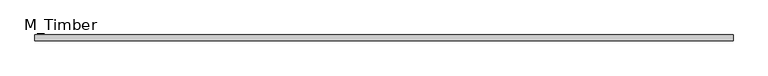
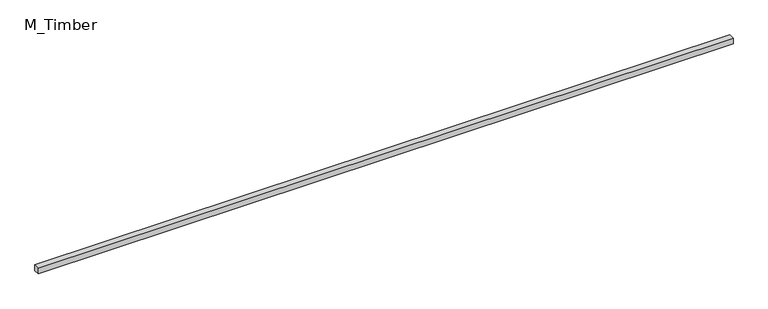
"""IFC4 building model written with IfcOpenShell, lengths in millimetres: beam geometry, M_Timber."""

import ifcopenshell
import ifcopenshell.guid

model = None  # the IFC model being written
_history = None  # IfcOwnerHistory: only IFC2X3 demands one
_inside = {}  # id of a spatial element -> (the spatial element, [elements in it])
_under = {}  # id of a project, library or spatial element -> (it, [spatial elements below it])
_declared = {}  # id of a project -> (the project, [libraries it declares])
_typed = {}  # id of a type object -> (the type object, [elements of that type])
_made_of = {}  # id of a material, layer set ... -> (it, [elements and type objects made of it])


def new_model(schema):
    """Start an empty IFC model of exactly this schema.

    Asked for "IFC4X3", IfcOpenShell would pick the latest addendum, in which some entities
    have other attributes; the version numbers below select the first issue.
    IFC2X3 requires an IfcOwnerHistory on every rooted entity: one is made here for all.
    """
    global model, _history
    if schema == "IFC4X3":
        model = ifcopenshell.file(schema_version=(4, 3, 0, 0))
    else:
        model = ifcopenshell.file(schema=schema)
    _inside.clear()
    _under.clear()
    _declared.clear()
    _typed.clear()
    _made_of.clear()
    _history = None
    if model.schema == "IFC2X3":
        org = make("IfcOrganization", Name="unknown")
        user = make(
            "IfcPersonAndOrganization",
            ThePerson=make("IfcPerson", FamilyName="unknown"),
            TheOrganization=org,
        )
        app = make(
            "IfcApplication",
            ApplicationDeveloper=org,
            Version="unknown",
            ApplicationFullName="unknown",
            ApplicationIdentifier="unknown",
        )
        _history = make(
            "IfcOwnerHistory",
            OwningUser=user,
            OwningApplication=app,
            ChangeAction="ADDED",
            CreationDate=0,
        )
    return model


def make(cls, **values):
    """One entity of the class cls with the attributes given. An attribute that is None is left unset."""
    return model.create_entity(
        cls, **{name: value for name, value in values.items() if value is not None}
    )


def rooted(cls, **values):
    """An entity with a GlobalId (a new one), such as an element, a storey or a relation."""
    return make(cls, GlobalId=ifcopenshell.guid.new(), OwnerHistory=_history, **values)


def si_unit(unit_type, name, prefix=None):
    """IfcSIUnit, for example si_unit("LENGTHUNIT", "METRE", prefix="MILLI")."""
    return make("IfcSIUnit", UnitType=unit_type, Prefix=prefix, Name=name)


def assignment(units):
    """IfcUnitAssignment: the units of a project."""
    return None if units is None else make("IfcUnitAssignment", Units=units)


def point(xyz):
    """IfcCartesianPoint."""
    return None if xyz is None else make("IfcCartesianPoint", Coordinates=xyz)


def direction(xyz):
    """IfcDirection."""
    return None if xyz is None else make("IfcDirection", DirectionRatios=xyz)


def frame(location, z_axis=None, x_axis=None):
    """IfcAxis2Placement3D, a coordinate frame: its origin and axes. An axis left out is left unset."""
    return make(
        "IfcAxis2Placement3D",
        Location=point(location),
        Axis=direction(z_axis),
        RefDirection=direction(x_axis),
    )


def origin():
    """The frame at (0, 0, 0) with its axes left unset."""
    return frame((0.0, 0.0, 0.0))


def place(relative_to, where):
    """IfcLocalPlacement: puts the frame where relative to a parent placement (None: the world)."""
    return make(
        "IfcLocalPlacement", PlacementRelTo=relative_to, RelativePlacement=where
    )


def context(
    kind, dimensions, precision=None, world=None, true_north=None, identifier=None
):
    """IfcGeometricRepresentationContext, for example the 3D "Model" context."""
    return make(
        "IfcGeometricRepresentationContext",
        ContextIdentifier=identifier,
        ContextType=kind,
        CoordinateSpaceDimension=dimensions,
        Precision=precision,
        WorldCoordinateSystem=world,
        TrueNorth=true_north,
    )


def project(units=None, contexts=None):
    """IfcProject with its units and contexts."""
    return rooted(
        "IfcProject",
        Name="project",
        RepresentationContexts=contexts,
        UnitsInContext=assignment(units),
    )


def spatial(cls, under=None, at=None, **own):
    """A site, building, storey or space (cls), placed at a placement, below another one or the project."""
    s = rooted(cls, ObjectPlacement=at, **own)
    if under is not None:
        _under.setdefault(under.id(), (under, []))[1].append(s)
    return s


def polyline(points):
    """IfcPolyline through the points."""
    return make("IfcPolyline", Points=[point(p) for p in points])


def outline(outer, holes=None, kind="AREA"):
    """IfcArbitraryClosedProfileDef: a profile drawn as a closed curve; with holes, ...WithVoids."""
    if holes is None:
        return make("IfcArbitraryClosedProfileDef", ProfileType=kind, OuterCurve=outer)
    return make(
        "IfcArbitraryProfileDefWithVoids",
        ProfileType=kind,
        OuterCurve=outer,
        InnerCurves=holes,
    )


def extrude(swept, where, along, depth):
    """IfcExtrudedAreaSolid: the profile swept, set in the frame where, extruded along a direction by depth."""
    return make(
        "IfcExtrudedAreaSolid",
        SweptArea=swept,
        Position=where,
        ExtrudedDirection=direction(along),
        Depth=depth,
    )


def shape(context_of_items, identifier, shape_type, items):
    """IfcShapeRepresentation: the items that make up one representation, for example the "Body"."""
    return make(
        "IfcShapeRepresentation",
        ContextOfItems=context_of_items,
        RepresentationIdentifier=identifier,
        RepresentationType=shape_type,
        Items=items,
    )


def source(mapping_origin, context_of_items, identifier, shape_type, items):
    """IfcRepresentationMap: a shape defined once, which mapped items show again and again."""
    return make(
        "IfcRepresentationMap",
        MappingOrigin=mapping_origin,
        MappedRepresentation=shape(context_of_items, identifier, shape_type, items),
    )


def transform(
    local_origin,
    x_axis=None,
    y_axis=None,
    z_axis=None,
    scale=None,
    scale2=None,
    scale3=None,
    uniform=True,
):
    """IfcCartesianTransformationOperator3D, or its non-uniform kind. x_axis, y_axis, z_axis: its Axis1, 2, 3."""
    if uniform:
        return make(
            "IfcCartesianTransformationOperator3D",
            Axis1=direction(x_axis),
            Axis2=direction(y_axis),
            LocalOrigin=point(local_origin),
            Scale=scale,
            Axis3=direction(z_axis),
        )
    return make(
        "IfcCartesianTransformationOperator3DnonUniform",
        Axis1=direction(x_axis),
        Axis2=direction(y_axis),
        LocalOrigin=point(local_origin),
        Scale=scale,
        Axis3=direction(z_axis),
        Scale2=scale2,
        Scale3=scale3,
    )


def mapped(mapping_source, mapping_target):
    """IfcMappedItem: shows the shape of a source again, moved by a transform."""
    return make(
        "IfcMappedItem", MappingSource=mapping_source, MappingTarget=mapping_target
    )


def made_of(thing, what):
    """Note that an element or type object is made of a material, layer set ...; save() writes the relation."""
    if what is not None:
        _made_of.setdefault(what.id(), (what, []))[1].append(thing)
    return thing


def element(
    cls,
    number,
    at=None,
    inside=None,
    cuts=None,
    type_object=None,
    material=None,
    context=None,
    identifier="Body",
    shape_type=None,
    held_by="IfcProductDefinitionShape",
    body=None,
    shapes=None,
    **own,
):
    """One element of the class cls, such as IfcWall. Its Tag is "e" and its number.

    at: its placement. inside: the storey or other place that contains it. cuts: it is an
    opening in that element (IfcRelVoidsElement). A single representation is given by context,
    identifier, shape_type and body (its items); several are given by shapes. held_by: the class
    of the entity that holds the representations. save() writes the other relations.
    """
    e = rooted(cls, Tag="e%d" % number, ObjectPlacement=at, **own)
    if body is not None:
        shapes = [shape(context, identifier, shape_type, body)]
    if shapes is not None:
        e.Representation = make(held_by, Representations=shapes)
    if inside is not None:
        _inside.setdefault(inside.id(), (inside, []))[1].append(e)
    if cuts is not None:
        rooted(
            "IfcRelVoidsElement", RelatingBuildingElement=cuts, RelatedOpeningElement=e
        )
    if type_object is not None:
        _typed.setdefault(type_object.id(), (type_object, []))[1].append(e)
    return made_of(e, material)


def aggregate(whole, parts):
    """IfcRelAggregates: a whole, such as a stair, and the parts it consists of."""
    return rooted("IfcRelAggregates", RelatingObject=whole, RelatedObjects=parts)


def save(model, path):
    """Write the relations noted so far, then the file.

    IfcRelAggregates (storeys below a building ...), IfcRelContainedInSpatialStructure (elements
    in a storey), IfcRelDefinesByType, IfcRelAssociatesMaterial and IfcRelDeclares: one each for
    every whole, place, type object, material and project.
    """
    for whole, parts in _under.values():
        aggregate(whole, parts)
    for where, things in _inside.values():
        rooted(
            "IfcRelContainedInSpatialStructure",
            RelatedElements=things,
            RelatingStructure=where,
        )
    for kind, things in _typed.values():
        rooted("IfcRelDefinesByType", RelatedObjects=things, RelatingType=kind)
    for what, things in _made_of.values():
        rooted("IfcRelAssociatesMaterial", RelatedObjects=things, RelatingMaterial=what)
    for by, libraries in _declared.values():
        rooted("IfcRelDeclares", RelatingContext=by, RelatedDefinitions=libraries)
    model.write(path)


def m_timber_3e838c41(model_context):
    return source(origin(), model_context, "Body", "SweptSolid", [
        extrude(outline(polyline([(3524.5476555, 30.0), (3524.5476555, -30.0), (-3524.5476555, -30.0), (-3524.5476555, 30.0), (3524.5476555, 30.0)])), frame((0.0, 0.0, -30.0), z_axis=(0.0, 0.0, 1.0), x_axis=(1.0, 0.0, 0.0)), (0.0, 0.0, 1.0), 60.0),
    ])


if __name__ == "__main__":
    model = new_model("IFC4")
    model_context = context("Model", 3, world=origin())
    ifc_project = project(units=[si_unit("LENGTHUNIT", "METRE", prefix="MILLI")], contexts=[model_context])
    site = spatial("IfcSite", under=ifc_project)
    building = spatial("IfcBuilding", under=site)
    placement = place(None, origin())
    m_timber_shape = m_timber_3e838c41(model_context)
    element("IfcBeam", 1, ObjectType="M_Timber", at=placement, inside=building, context=model_context, shape_type="MappedRepresentation", body=[
        mapped(m_timber_shape, transform((0.0, 0.0, 0.0), x_axis=(1.0, 0.0, 0.0), y_axis=(0.0, 1.0, 0.0), z_axis=(0.0, 0.0, 1.0))),
    ])
    save(model, "model.ifc")
